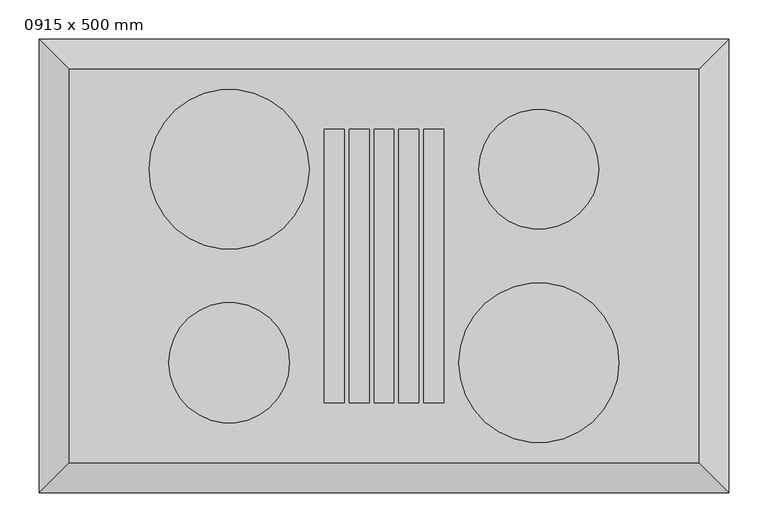
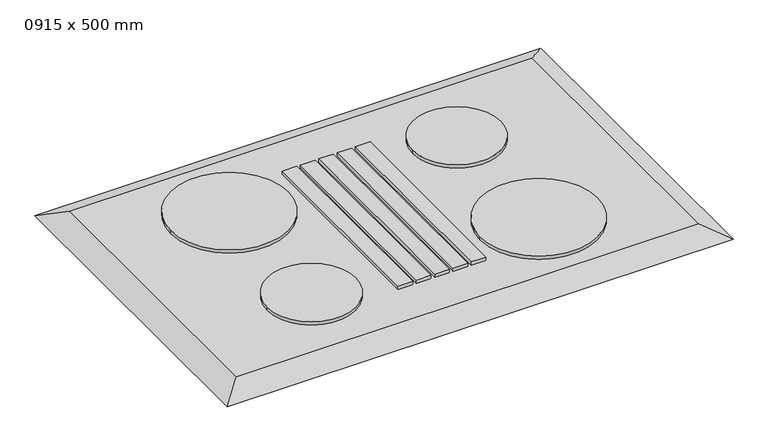
"""IFC4 building model written with IfcOpenShell, lengths in millimetres: proxy geometry, 0915 x 500 mm."""

from ifc_helpers import new_model, si_unit, point, frame, frame_2d, origin, place, context, project, spatial, polyline, circle_curve, trimmed, segment, composite_curve, outline, extrude, faceted_brep, source, transform, mapped, element, save


def proxy_0915_x_500_mm_cd177be6(model_context):
    return source(origin(), model_context, "Body", "SolidModel", [
        faceted_brep([(400.0, -250.0, 918.0), (400.0, 250.0, 918.0), (-400.0, 250.0, 918.0), (-400.0, -250.0, 918.0), (438.1, -288.1, 900.0), (-438.1, -288.1, 900.0), (-438.1, 288.1, 900.0), (438.1, 288.1, 900.0)], [[[0, 1, 2, 3]], [[4, 5, 6, 7]], [[4, 0, 3, 5]], [[5, 3, 2, 6]], [[6, 2, 1, 7]], [[7, 1, 0, 4]]]),
        extrude(outline(composite_curve([segment(trimmed(circle_curve(frame_2d((-196.8, -123.0)), 76.5869489), [point((-120.2130511, -123.0))], [point((-273.3869489, -123.0))], False, "CARTESIAN"), True, "CONTINUOUS"), segment(trimmed(circle_curve(frame_2d((-196.8, -123.0)), 76.5869489), [point((-273.3869489, -123.0))], [point((-120.2130511, -123.0))], False, "CARTESIAN"), True, "CONTINUOUS")], self_intersect=False)), frame((0.0, 0.0, 918.0), z_axis=(0.0, 0.0, 1.0), x_axis=(1.0, 0.0, 0.0)), (0.0, 0.0, 1.0), 6.35),
        extrude(outline(composite_curve([segment(trimmed(circle_curve(frame_2d((196.8, -123.0)), 101.6), [point((298.4, -123.0))], [point((95.2, -123.0))], False, "CARTESIAN"), True, "CONTINUOUS"), segment(trimmed(circle_curve(frame_2d((196.8, -123.0)), 101.6), [point((95.2, -123.0))], [point((298.4, -123.0))], False, "CARTESIAN"), True, "CONTINUOUS")], self_intersect=False)), frame((0.0, 0.0, 918.0), z_axis=(0.0, 0.0, 1.0), x_axis=(1.0, 0.0, 0.0)), (0.0, 0.0, 1.0), 6.35),
        extrude(outline(composite_curve([segment(trimmed(circle_curve(frame_2d((196.8, 123.0)), 76.2), [point((273.0, 123.0))], [point((120.6, 123.0))], False, "CARTESIAN"), True, "CONTINUOUS"), segment(trimmed(circle_curve(frame_2d((196.8, 123.0)), 76.2), [point((120.6, 123.0))], [point((273.0, 123.0))], False, "CARTESIAN"), True, "CONTINUOUS")], self_intersect=False)), frame((0.0, 0.0, 918.0), z_axis=(0.0, 0.0, 1.0), x_axis=(1.0, 0.0, 0.0)), (0.0, 0.0, 1.0), 6.35),
        extrude(outline(polyline([(-50.8, -173.8), (-76.2, -173.8), (-76.2, 173.8), (-50.8, 173.8), (-50.8, -173.8)])), frame((0.0, 0.0, 918.0), z_axis=(0.0, 0.0, 1.0), x_axis=(1.0, 0.0, 0.0)), (0.0, 0.0, 1.0), 6.35),
        extrude(outline(polyline([(-19.05, -173.8), (-44.45, -173.8), (-44.45, 173.8), (-19.05, 173.8), (-19.05, -173.8)])), frame((0.0, 0.0, 918.0), z_axis=(0.0, 0.0, 1.0), x_axis=(1.0, 0.0, 0.0)), (0.0, 0.0, 1.0), 6.35),
        extrude(outline(polyline([(12.7, -173.8), (-12.7, -173.8), (-12.7, 173.8), (12.7, 173.8), (12.7, -173.8)])), frame((0.0, 0.0, 918.0), z_axis=(0.0, 0.0, 1.0), x_axis=(1.0, 0.0, 0.0)), (0.0, 0.0, 1.0), 6.35),
        extrude(outline(polyline([(44.45, -173.8), (19.05, -173.8), (19.05, 173.8), (44.45, 173.8), (44.45, -173.8)])), frame((0.0, 0.0, 918.0), z_axis=(0.0, 0.0, 1.0), x_axis=(1.0, 0.0, 0.0)), (0.0, 0.0, 1.0), 6.35),
        extrude(outline(polyline([(76.2, -173.8), (50.8, -173.8), (50.8, 173.8), (76.2, 173.8), (76.2, -173.8)])), frame((0.0, 0.0, 918.0), z_axis=(0.0, 0.0, 1.0), x_axis=(1.0, 0.0, 0.0)), (0.0, 0.0, 1.0), 6.35),
        extrude(outline(composite_curve([segment(trimmed(circle_curve(frame_2d((-196.8, 123.0)), 101.6), [point((-95.2, 123.0))], [point((-298.4, 123.0))], False, "CARTESIAN"), True, "CONTINUOUS"), segment(trimmed(circle_curve(frame_2d((-196.8, 123.0)), 101.6), [point((-298.4, 123.0))], [point((-95.2, 123.0))], False, "CARTESIAN"), True, "CONTINUOUS")], self_intersect=False)), frame((0.0, 0.0, 918.0), z_axis=(0.0, 0.0, 1.0), x_axis=(1.0, 0.0, 0.0)), (0.0, 0.0, 1.0), 6.35),
    ])


if __name__ == "__main__":
    model = new_model("IFC4")
    model_context = context("Model", 3, world=origin())
    ifc_project = project(units=[si_unit("LENGTHUNIT", "METRE", prefix="MILLI")], contexts=[model_context])
    site = spatial("IfcSite", under=ifc_project)
    building = spatial("IfcBuilding", under=site)
    placement = place(None, origin())
    proxy_0915_x_500_mm_shape = proxy_0915_x_500_mm_cd177be6(model_context)
    element("IfcBuildingElementProxy", 1, Name="0915 x 500 mm", ObjectType="0915 x 500 mm", at=placement, inside=building, context=model_context, shape_type="MappedRepresentation", body=[
        mapped(proxy_0915_x_500_mm_shape, transform((0.0, 0.0, 0.0), x_axis=(1.0, 0.0, 0.0), y_axis=(0.0, 1.0, 0.0), z_axis=(0.0, 0.0, 1.0))),
    ])
    save(model, "model.ifc")
